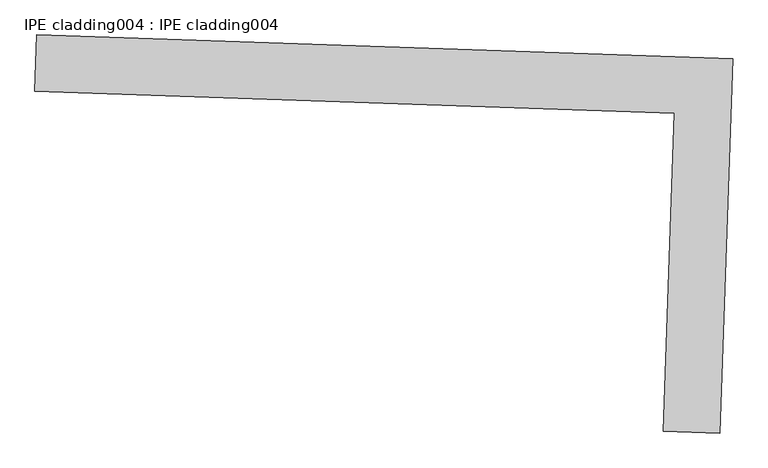
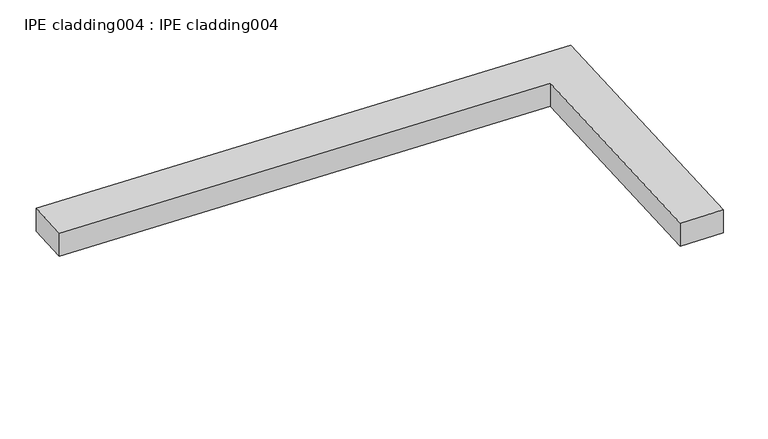
"""IFC4 building model written with IfcOpenShell, lengths in millimetres: proxy geometry, IPE cladding004 : IPE cladding004."""

from ifc_helpers import new_model, si_unit, frame, origin, place, context, project, spatial, polyline, outline, extrude, source, transform, mapped, element, save


def ipe_cladding004_ipe_cladding004_8882c7cd(model_context):
    return source(origin(), model_context, "Body", "SweptSolid", [
        extrude(outline(polyline([(17306.5036746, -14579.735891), (17309.5442115, -14490.8879021), (18404.9713731, -14528.3753746), (18384.8189499, -15117.2524132), (18295.9709608, -15114.2118765), (18313.0828476, -14614.1828266), (17306.5036746, -14579.735891)])), frame((0.0, 0.0, 429.575707), z_axis=(0.0, 0.0, 1.0), x_axis=(1.0, 0.0, 0.0)), (0.0, 0.0, 1.0), 50.8),
    ])


if __name__ == "__main__":
    model = new_model("IFC4")
    model_context = context("Model", 3, world=origin())
    ifc_project = project(units=[si_unit("LENGTHUNIT", "METRE", prefix="MILLI")], contexts=[model_context])
    site = spatial("IfcSite", under=ifc_project)
    building = spatial("IfcBuilding", under=site)
    placement = place(None, origin())
    ipe_cladding004_ipe_cladding004_shape = ipe_cladding004_ipe_cladding004_8882c7cd(model_context)
    element("IfcBuildingElementProxy", 1, Name="IPE cladding004 : IPE cladding004", ObjectType="IPE cladding004 : IPE cladding004", at=placement, inside=building, context=model_context, shape_type="MappedRepresentation", body=[
        mapped(ipe_cladding004_ipe_cladding004_shape, transform((0.0, 0.0, 0.0), x_axis=(1.0, 0.0, 0.0), y_axis=(0.0, 1.0, 0.0), z_axis=(0.0, 0.0, 1.0))),
    ])
    save(model, "model.ifc")
